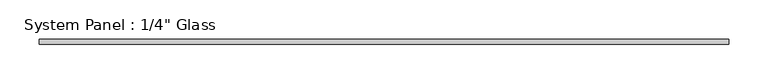
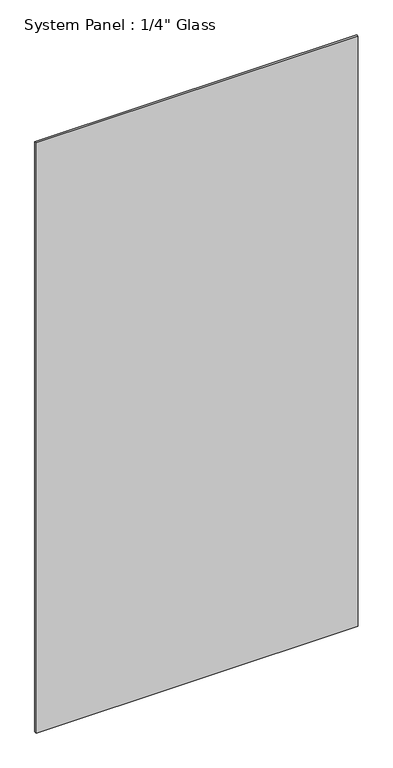
"""IFC4 building model written with IfcOpenShell, lengths in millimetres: plate geometry."""

from ifc_helpers import new_model, si_unit, origin, origin_with_axes, place, context, project, spatial, polyline, outline, extrude, source, transform, mapped, element, save


def plate_a625220f(model_context):
    return source(origin(), model_context, "Body", "SweptSolid", [
        extrude(outline(polyline([(437.8349054, -3.175), (-437.8349054, -3.175), (-437.8349054, 3.175), (437.8349054, 3.175), (437.8349054, -3.175)])), origin_with_axes(), (0.0, 0.0, 1.0), 1695.45),
    ])


if __name__ == "__main__":
    model = new_model("IFC4")
    model_context = context("Model", 3, world=origin())
    ifc_project = project(units=[si_unit("LENGTHUNIT", "METRE", prefix="MILLI")], contexts=[model_context])
    site = spatial("IfcSite", under=ifc_project)
    building = spatial("IfcBuilding", under=site)
    placement = place(None, origin())
    plate_shape = plate_a625220f(model_context)
    element("IfcPlate", 1, ObjectType="System Panel : 1/4\" Glass", at=placement, inside=building, context=model_context, shape_type="MappedRepresentation", body=[
        mapped(plate_shape, transform((0.0, 0.0, 0.0), x_axis=(1.0, 0.0, 0.0), y_axis=(0.0, 1.0, 0.0), z_axis=(0.0, 0.0, 1.0))),
    ])
    save(model, "model.ifc")
